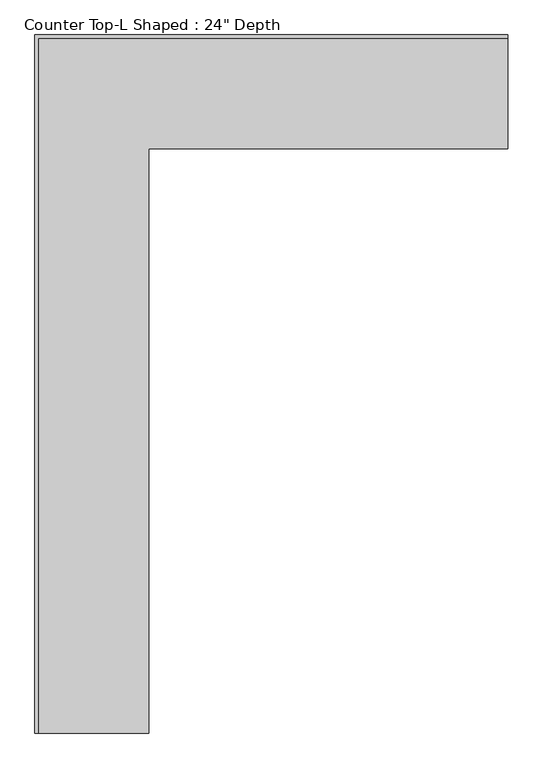
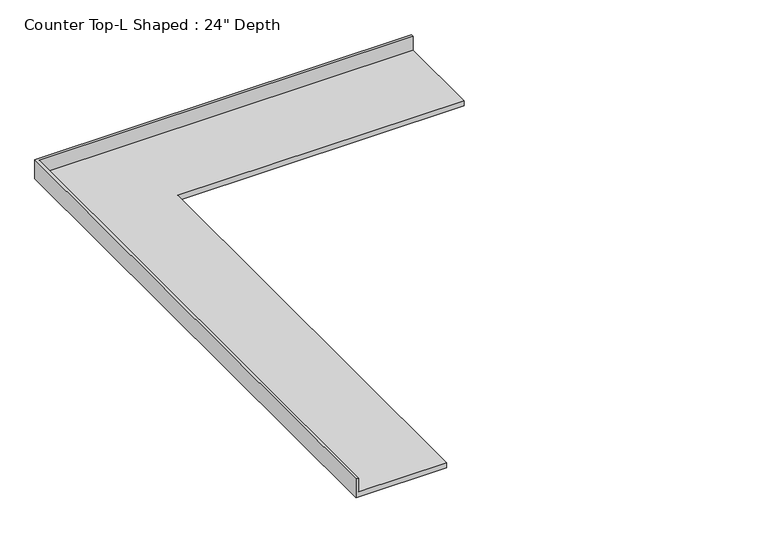
"""IFC4 building model written with IfcOpenShell, lengths in millimetres: furniture geometry."""

from ifc_helpers import new_model, si_unit, origin, place, context, project, spatial, faceted_brep, source, transform, mapped, element, save


def furniture_f2dc78f5(model_context):
    return source(origin(), model_context, "Body", "Brep", [
        faceted_brep([(-565.4622951, -3900.3935592, 914.4), (-565.4622951, -635.0, 914.4), (1441.1377049, -635.0, 914.4), (1441.1377049, -19.05, 914.4), (-1181.4122951, -19.05, 914.4), (-1181.4122951, -3900.3935592, 914.4), (1441.1377049, 0.0, 876.3), (1441.1377049, -635.0, 876.3), (-565.4622951, -635.0, 876.3), (-565.4622951, -3900.3935592, 876.3), (-1200.4622951, -3900.3935592, 876.3), (-1200.4622951, 0.0, 876.3), (-1200.4622951, 0.0, 1016.0), (1441.1377049, 0.0, 1016.0), (-1200.4622951, -3900.3935592, 1016.0), (-1181.4122951, -3900.3935592, 1016.0), (1441.1377049, -19.05, 1016.0), (-1181.4122951, -19.05, 1016.0)], [[[0, 1, 2, 3, 4, 5]], [[6, 7, 8, 9, 10, 11]], [[6, 11, 12, 13]], [[11, 10, 14, 12]], [[14, 10, 9, 0, 5, 15]], [[1, 0, 9, 8]], [[2, 1, 8, 7]], [[7, 6, 13, 16, 3, 2]], [[12, 14, 15, 17, 16, 13]], [[3, 16, 17, 4]], [[17, 15, 5, 4]]]),
    ])


if __name__ == "__main__":
    model = new_model("IFC4")
    model_context = context("Model", 3, world=origin())
    ifc_project = project(units=[si_unit("LENGTHUNIT", "METRE", prefix="MILLI")], contexts=[model_context])
    site = spatial("IfcSite", under=ifc_project)
    building = spatial("IfcBuilding", under=site)
    placement = place(None, origin())
    furniture_shape = furniture_f2dc78f5(model_context)
    element("IfcFurniture", 1, ObjectType="Counter Top-L Shaped : 24\" Depth", at=placement, inside=building, context=model_context, shape_type="MappedRepresentation", body=[
        mapped(furniture_shape, transform((0.0, 0.0, 0.0), x_axis=(1.0, 0.0, 0.0), y_axis=(0.0, 1.0, 0.0), z_axis=(0.0, 0.0, 1.0))),
    ])
    save(model, "model.ifc")
